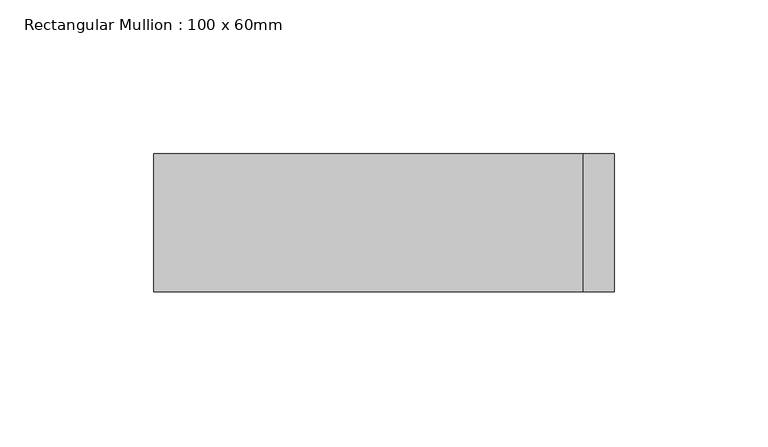
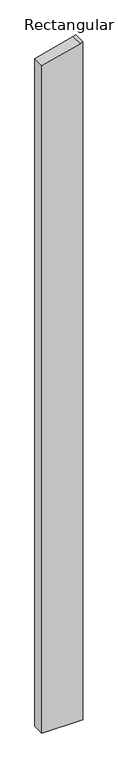
"""IFC4 building model written with IfcOpenShell, lengths in millimetres: member geometry, Rectangular Mullion : 100 x 60mm."""

from ifc_helpers import new_model, si_unit, frame, origin, place, context, project, spatial, polyline, outline, extrude, source, transform, mapped, element, save


def rectangular_mullion_100_x_60mm_fda6a1a6(model_context):
    return source(origin(), model_context, "Body", "SweptSolid", [
        extrude(outline(polyline([(-238.7228557, 75.0), (-241.4814566, 64.7047613), (-278.9152345, -75.0), (-2868.0583731, -75.0), (-2868.0583731, 75.0), (-238.7228557, 75.0)])), frame((0.0, -30.0, 0.0), z_axis=(0.0, 1.0, 0.0), x_axis=(0.0, 0.0, 1.0)), (0.0, 0.0, 1.0), 45.0),
    ])


if __name__ == "__main__":
    model = new_model("IFC4")
    model_context = context("Model", 3, world=origin())
    ifc_project = project(units=[si_unit("LENGTHUNIT", "METRE", prefix="MILLI")], contexts=[model_context])
    site = spatial("IfcSite", under=ifc_project)
    building = spatial("IfcBuilding", under=site)
    placement = place(None, origin())
    rectangular_mullion_100_x_60mm_shape = rectangular_mullion_100_x_60mm_fda6a1a6(model_context)
    element("IfcMember", 1, ObjectType="Rectangular Mullion : 100 x 60mm", at=placement, inside=building, context=model_context, shape_type="MappedRepresentation", body=[
        mapped(rectangular_mullion_100_x_60mm_shape, transform((0.0, 0.0, 0.0), x_axis=(1.0, 0.0, 0.0), y_axis=(0.0, 1.0, 0.0), z_axis=(0.0, 0.0, 1.0))),
    ])
    save(model, "model.ifc")
